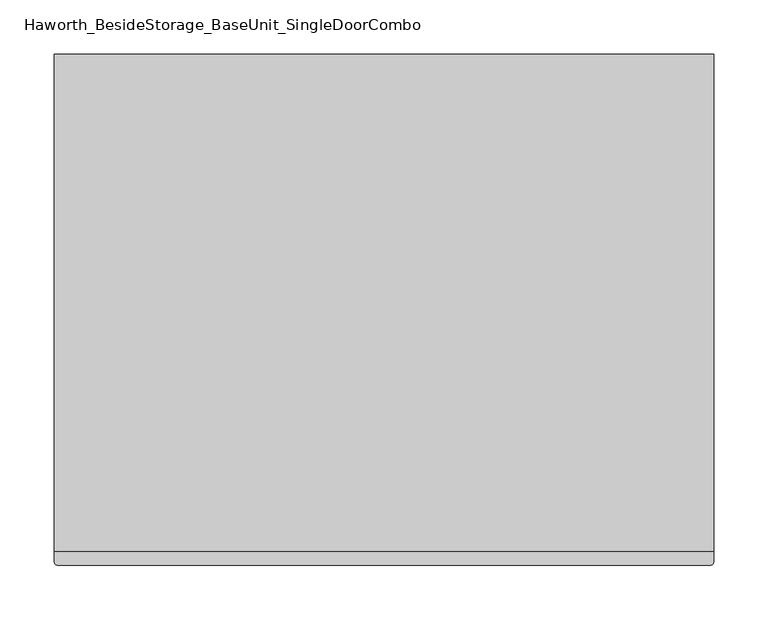
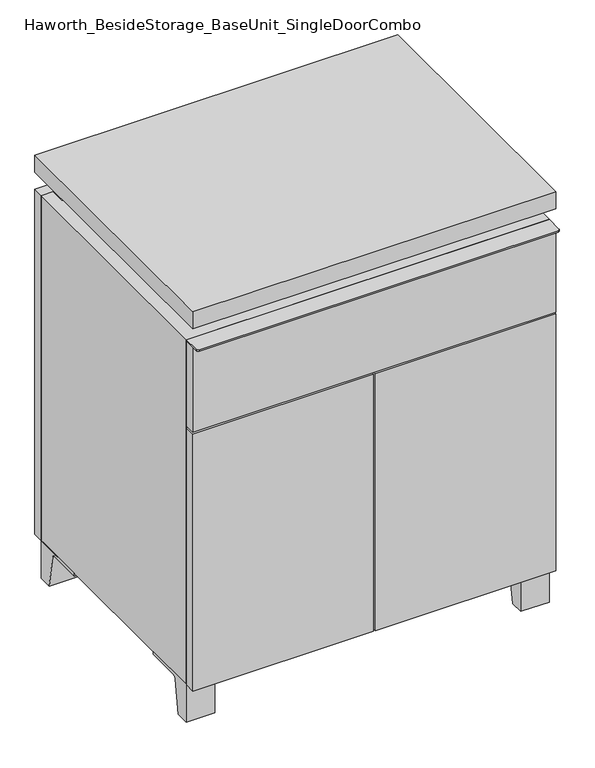
"""IFC4 building model written with IfcOpenShell, lengths in millimetres: furniture geometry, Haworth_BesideStorage_BaseUnit_SingleDoorCombo."""

from ifc_helpers import new_model, si_unit, point, frame, frame_2d, origin, place, context, project, spatial, polyline, circle_curve, trimmed, segment, composite_curve, outline, extrude, faceted_brep, source, transform, mapped, element, save


def haworth_besidestorage_baseunit_singledoorcombo_851f2fb9(model_context):
    return source(origin(), model_context, "Body", "SolidModel", [
        extrude(outline(composite_curve([segment(polyline([(-123.2958469, 0.0), (-146.05, 0.0), (-146.05, 66.675), (-50.8, 66.675), (-50.8, 61.8963321), (-107.6005345, 61.8963321)]), True, "CONTINUOUS"), segment(trimmed(circle_curve(frame_2d((-107.6005345, 55.5463321)), 6.35), [point((-107.6005345, 61.8963321))], [point((-113.8641359, 56.5902656))], True, "CARTESIAN"), True, "CONTINUOUS"), segment(polyline([(-113.8641359, 56.5902656), (-123.2958469, 0.0)]), True, "CONTINUOUS")], self_intersect=False)), frame((255.6013906, 0.0, 0.0), z_axis=(1.0, 0.0, 0.0), x_axis=(0.0, 1.0, 0.0)), (0.0, 0.0, 1.0), 47.625),
        extrude(outline(composite_curve([segment(polyline([(250.2958469, 0.0), (240.8641359, 56.5902656)]), True, "CONTINUOUS"), segment(trimmed(circle_curve(frame_2d((234.6005345, 55.5463321)), 6.35), [point((240.8641359, 56.5902656))], [point((234.6005345, 61.8963321))], True, "CARTESIAN"), True, "CONTINUOUS"), segment(polyline([(234.6005345, 61.8963321), (177.8, 61.8963321), (177.8, 66.675), (273.05, 66.675), (273.05, 0.0), (250.2958469, 0.0)]), True, "CONTINUOUS")], self_intersect=False)), frame((255.6013906, 0.0, 0.0), z_axis=(1.0, 0.0, 0.0), x_axis=(0.0, 1.0, 0.0)), (0.0, 0.0, 1.0), 47.625),
        extrude(outline(composite_curve([segment(polyline([(-123.2958469, 0.0), (-146.05, 0.0), (-146.05, 66.675), (-50.8, 66.675), (-50.8, 61.8963321), (-107.6005345, 61.8963321)]), True, "CONTINUOUS"), segment(trimmed(circle_curve(frame_2d((-107.6005345, 55.5463321)), 6.35), [point((-107.6005345, 61.8963321))], [point((-113.8641359, 56.5902656))], True, "CARTESIAN"), True, "CONTINUOUS"), segment(polyline([(-113.8641359, 56.5902656), (-123.2958469, 0.0)]), True, "CONTINUOUS")], self_intersect=False)), frame((-303.1986094, 0.0, 0.0), z_axis=(1.0, 0.0, 0.0), x_axis=(0.0, 1.0, 0.0)), (0.0, 0.0, 1.0), 47.625),
        extrude(outline(composite_curve([segment(polyline([(250.2958469, 0.0), (240.8641359, 56.5902656)]), True, "CONTINUOUS"), segment(trimmed(circle_curve(frame_2d((234.6005345, 55.5463321)), 6.35), [point((240.8641359, 56.5902656))], [point((234.6005345, 61.8963321))], True, "CARTESIAN"), True, "CONTINUOUS"), segment(polyline([(234.6005345, 61.8963321), (177.8, 61.8963321), (177.8, 66.675), (273.05, 66.675), (273.05, 0.0), (250.2958469, 0.0)]), True, "CONTINUOUS")], self_intersect=False)), frame((-303.1986094, 0.0, 0.0), z_axis=(1.0, 0.0, 0.0), x_axis=(0.0, 1.0, 0.0)), (0.0, 0.0, 1.0), 47.625),
        faceted_brep([(-303.1986094, -146.05, 66.675), (303.2125, -146.05, 66.675), (303.2125, -146.05, 676.275), (-303.1986094, -146.05, 676.275), (-284.1486094, -146.05, 85.725), (-284.1486094, -146.05, 657.225), (284.1694453, -146.05, 657.225), (284.1486094, -146.05, 85.725), (-303.1986094, 273.05, 66.675), (-303.1986094, 273.05, 676.275), (-284.1486094, 273.05, 676.275), (-284.1486094, 273.05, 85.725), (284.1486094, 273.05, 85.725), (284.1486094, 273.05, 676.275), (303.2125, 273.05, 676.275), (303.2125, 273.05, 66.675), (284.1486094, 247.65, 676.275), (-284.1416641, 247.65, 676.275), (-284.1486094, 247.65, 657.225), (284.1486094, 247.65, 657.225)], [[[0, 1, 2, 3], [4, 5, 6, 7]], [[8, 9, 10, 11, 12, 13, 14, 15]], [[1, 0, 8, 15]], [[2, 1, 15, 14]], [[3, 2, 14, 13, 16, 17, 10, 9]], [[0, 3, 9, 8]], [[11, 10, 17, 18, 5, 4]], [[13, 12, 7, 6, 19, 16]], [[4, 7, 12, 11]], [[6, 5, 18, 19]], [[17, 16, 19, 18]]]),
        extrude(outline(polyline([(303.2263906, -165.1), (-303.1986094, -165.1), (-303.1986094, 292.1), (303.2263906, 292.1), (303.2263906, -165.1)])), frame((0.0, 0.0, 706.4375), z_axis=(0.0, 0.0, 1.0), x_axis=(1.0, 0.0, 0.0)), (0.0, 0.0, 1.0), 30.1625),
        faceted_brep([(7.9513906, -69.85, 706.4375), (7.9513906, -69.85, 676.275), (7.9513906, 53.975, 676.275), (7.9513906, 53.975, 706.4375), (7.9513906, 196.85, 676.275), (7.9513906, 196.85, 706.4375), (7.9513906, 73.025, 706.4375), (7.9513906, 73.025, 676.275), (-7.9236094, 196.85, 706.4375), (-7.9236094, 196.85, 676.275), (-7.9236094, 73.025, 676.275), (-7.9236094, 73.025, 706.4375), (-7.9236094, -69.85, 676.275), (-7.9236094, -69.85, 706.4375), (-7.9236094, 53.975, 706.4375), (-7.9236094, 53.975, 676.275), (-261.8958281, 73.025, 706.4375), (-261.9166641, 247.65, 706.4375), (-277.7916641, 247.65, 706.4375), (-277.7916641, -120.65, 706.4375), (-261.9166641, -120.65, 706.4375), (-261.9166641, 53.975, 706.4375), (261.9236094, 53.975, 706.4375), (261.9236094, -120.65, 706.4375), (277.7986094, -120.65, 706.4375), (277.7986094, 247.65, 706.4375), (261.9236094, 247.65, 706.4375), (261.9236094, 73.025, 706.4375), (-261.8958281, 53.975, 676.275), (-261.9166641, -120.65, 676.275), (-277.7916641, -120.65, 676.275), (-277.7916641, 247.65, 676.275), (-261.9166641, 247.65, 676.275), (-261.9166641, 73.025, 676.275), (261.9236094, 73.025, 676.275), (261.9236094, 247.65, 676.275), (277.7986094, 247.65, 676.275), (277.7986094, -120.65, 676.275), (261.9236094, -120.65, 676.275), (261.9236094, 53.975, 676.275)], [[[0, 1, 2, 3]], [[4, 5, 6, 7]], [[8, 9, 10, 11]], [[12, 13, 14, 15]], [[5, 8, 11, 16, 17, 18, 19, 20, 21, 14, 13, 0, 3, 22, 23, 24, 25, 26, 27, 6]], [[1, 12, 15, 28, 29, 30, 31, 32, 33, 10, 9, 4, 7, 34, 35, 36, 37, 38, 39, 2]], [[5, 4, 9, 8]], [[1, 0, 13, 12]], [[6, 27, 34, 7]], [[22, 3, 2, 39]], [[20, 29, 28, 21]], [[32, 17, 16, 33]], [[18, 31, 30, 19]], [[29, 20, 19, 30]], [[17, 32, 31, 18]], [[26, 35, 34, 27]], [[38, 23, 22, 39]], [[25, 24, 37, 36]], [[23, 38, 37, 24]], [[35, 26, 25, 36]], [[16, 11, 10, 33]], [[14, 21, 28, 15]]]),
        extrude(outline(polyline([(303.2263906, 273.05), (-303.1986094, 273.05), (-303.1986094, 292.1), (303.2263906, 292.1), (303.2263906, 273.05)])), frame((0.0, 0.0, 66.675), z_axis=(0.0, 0.0, 1.0), x_axis=(1.0, 0.0, 0.0)), (0.0, 0.0, 1.0), 609.6),
        extrude(outline(polyline([(-284.1416641, 203.2), (-284.1416641, 209.55), (284.1694453, 209.55), (284.1694453, 203.2), (-284.1416641, 203.2)])), frame((0.0, 0.0, 85.725), z_axis=(0.0, 0.0, 1.0), x_axis=(1.0, 0.0, 0.0)), (0.0, 0.0, 1.0), 571.5),
        extrude(outline(polyline([(1.6013906, -165.1), (1.6013906, -146.05), (303.2263906, -146.05), (303.2263906, -165.1), (1.6013906, -165.1)])), frame((0.0, 0.0, 66.675), z_axis=(0.0, 0.0, 1.0), x_axis=(1.0, 0.0, 0.0)), (0.0, 0.0, 1.0), 454.025),
        extrude(outline(polyline([(-1.5736094, -165.1), (-303.1986094, -165.1), (-303.1986094, -146.05), (-1.5736094, -146.05), (-1.5736094, -165.1)])), frame((0.0, 0.0, 66.675), z_axis=(0.0, 0.0, 1.0), x_axis=(1.0, 0.0, 0.0)), (0.0, 0.0, 1.0), 454.025),
        extrude(outline(composite_curve([segment(polyline([(303.2263906, -146.05), (303.2263906, -174.625)]), True, "CONTINUOUS"), segment(trimmed(circle_curve(frame_2d((300.0513906, -174.625)), 3.175), [point((303.2263906, -174.625))], [point((300.0513906, -177.8))], False, "CARTESIAN"), True, "CONTINUOUS"), segment(polyline([(300.0513906, -177.8), (-300.0236094, -177.8)]), True, "CONTINUOUS"), segment(trimmed(circle_curve(frame_2d((-300.0236094, -174.625)), 3.175), [point((-300.0236094, -177.8))], [point((-303.1986094, -174.625))], False, "CARTESIAN"), True, "CONTINUOUS"), segment(polyline([(-303.1986094, -174.625), (-303.1986094, -146.05), (303.2263906, -146.05)]), True, "CONTINUOUS")], self_intersect=False)), frame((0.0, 0.0, 673.89375), z_axis=(0.0, 0.0, 1.0), x_axis=(1.0, 0.0, 0.0)), (0.0, 0.0, 1.0), 2.38125),
        extrude(outline(polyline([(303.2263906, -146.05), (303.2263906, -165.1), (-303.1986094, -165.1), (-303.1986094, -146.05), (303.2263906, -146.05)])), frame((0.0, 0.0, 523.875), z_axis=(0.0, 0.0, 1.0), x_axis=(1.0, 0.0, 0.0)), (0.0, 0.0, 1.0), 150.01875),
    ])


if __name__ == "__main__":
    model = new_model("IFC4")
    model_context = context("Model", 3, world=origin())
    ifc_project = project(units=[si_unit("LENGTHUNIT", "METRE", prefix="MILLI")], contexts=[model_context])
    site = spatial("IfcSite", under=ifc_project)
    building = spatial("IfcBuilding", under=site)
    placement = place(None, origin())
    haworth_besidestorage_baseunit_singledoorcombo_shape = haworth_besidestorage_baseunit_singledoorcombo_851f2fb9(model_context)
    element("IfcFurniture", 1, ObjectType="Haworth_BesideStorage_BaseUnit_SingleDoorCombo", at=placement, inside=building, context=model_context, shape_type="MappedRepresentation", body=[
        mapped(haworth_besidestorage_baseunit_singledoorcombo_shape, transform((0.0, 0.0, 0.0), x_axis=(1.0, 0.0, 0.0), y_axis=(0.0, 1.0, 0.0), z_axis=(0.0, 0.0, 1.0))),
    ])
    save(model, "model.ifc")
